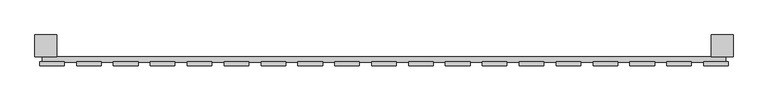
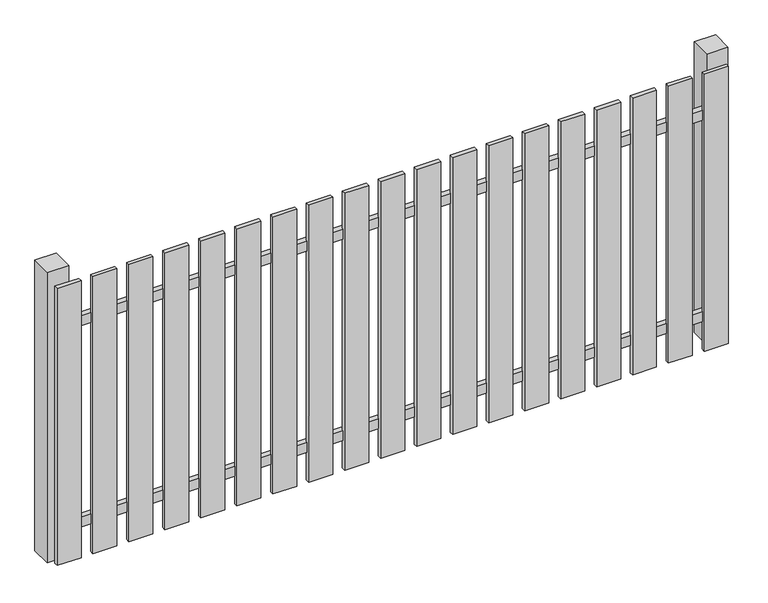
"""IFC4 building model written with IfcOpenShell, lengths in millimetres: railing geometry."""

import ifcopenshell
import ifcopenshell.guid

model = None  # the IFC model being written
_history = None  # IfcOwnerHistory: only IFC2X3 demands one
_inside = {}  # id of a spatial element -> (the spatial element, [elements in it])
_under = {}  # id of a project, library or spatial element -> (it, [spatial elements below it])
_declared = {}  # id of a project -> (the project, [libraries it declares])
_typed = {}  # id of a type object -> (the type object, [elements of that type])
_made_of = {}  # id of a material, layer set ... -> (it, [elements and type objects made of it])


def new_model(schema):
    """Start an empty IFC model of exactly this schema.

    Asked for "IFC4X3", IfcOpenShell would pick the latest addendum, in which some entities
    have other attributes; the version numbers below select the first issue.
    IFC2X3 requires an IfcOwnerHistory on every rooted entity: one is made here for all.
    """
    global model, _history
    if schema == "IFC4X3":
        model = ifcopenshell.file(schema_version=(4, 3, 0, 0))
    else:
        model = ifcopenshell.file(schema=schema)
    _inside.clear()
    _under.clear()
    _declared.clear()
    _typed.clear()
    _made_of.clear()
    _history = None
    if model.schema == "IFC2X3":
        org = make("IfcOrganization", Name="unknown")
        user = make(
            "IfcPersonAndOrganization",
            ThePerson=make("IfcPerson", FamilyName="unknown"),
            TheOrganization=org,
        )
        app = make(
            "IfcApplication",
            ApplicationDeveloper=org,
            Version="unknown",
            ApplicationFullName="unknown",
            ApplicationIdentifier="unknown",
        )
        _history = make(
            "IfcOwnerHistory",
            OwningUser=user,
            OwningApplication=app,
            ChangeAction="ADDED",
            CreationDate=0,
        )
    return model


def make(cls, **values):
    """One entity of the class cls with the attributes given. An attribute that is None is left unset."""
    return model.create_entity(
        cls, **{name: value for name, value in values.items() if value is not None}
    )


def rooted(cls, **values):
    """An entity with a GlobalId (a new one), such as an element, a storey or a relation."""
    return make(cls, GlobalId=ifcopenshell.guid.new(), OwnerHistory=_history, **values)


def si_unit(unit_type, name, prefix=None):
    """IfcSIUnit, for example si_unit("LENGTHUNIT", "METRE", prefix="MILLI")."""
    return make("IfcSIUnit", UnitType=unit_type, Prefix=prefix, Name=name)


def assignment(units):
    """IfcUnitAssignment: the units of a project."""
    return None if units is None else make("IfcUnitAssignment", Units=units)


def point(xyz):
    """IfcCartesianPoint."""
    return None if xyz is None else make("IfcCartesianPoint", Coordinates=xyz)


def direction(xyz):
    """IfcDirection."""
    return None if xyz is None else make("IfcDirection", DirectionRatios=xyz)


def frame(location, z_axis=None, x_axis=None):
    """IfcAxis2Placement3D, a coordinate frame: its origin and axes. An axis left out is left unset."""
    return make(
        "IfcAxis2Placement3D",
        Location=point(location),
        Axis=direction(z_axis),
        RefDirection=direction(x_axis),
    )


def origin():
    """The frame at (0, 0, 0) with its axes left unset."""
    return frame((0.0, 0.0, 0.0))


def origin_with_axes():
    """The frame at (0, 0, 0) with the z axis (0, 0, 1) and the x axis (1, 0, 0) written out."""
    return frame((0.0, 0.0, 0.0), z_axis=(0.0, 0.0, 1.0), x_axis=(1.0, 0.0, 0.0))


def place(relative_to, where):
    """IfcLocalPlacement: puts the frame where relative to a parent placement (None: the world)."""
    return make(
        "IfcLocalPlacement", PlacementRelTo=relative_to, RelativePlacement=where
    )


def context(
    kind, dimensions, precision=None, world=None, true_north=None, identifier=None
):
    """IfcGeometricRepresentationContext, for example the 3D "Model" context."""
    return make(
        "IfcGeometricRepresentationContext",
        ContextIdentifier=identifier,
        ContextType=kind,
        CoordinateSpaceDimension=dimensions,
        Precision=precision,
        WorldCoordinateSystem=world,
        TrueNorth=true_north,
    )


def project(units=None, contexts=None):
    """IfcProject with its units and contexts."""
    return rooted(
        "IfcProject",
        Name="project",
        RepresentationContexts=contexts,
        UnitsInContext=assignment(units),
    )


def spatial(cls, under=None, at=None, **own):
    """A site, building, storey or space (cls), placed at a placement, below another one or the project."""
    s = rooted(cls, ObjectPlacement=at, **own)
    if under is not None:
        _under.setdefault(under.id(), (under, []))[1].append(s)
    return s


def polyline(points):
    """IfcPolyline through the points."""
    return make("IfcPolyline", Points=[point(p) for p in points])


def outline(outer, holes=None, kind="AREA"):
    """IfcArbitraryClosedProfileDef: a profile drawn as a closed curve; with holes, ...WithVoids."""
    if holes is None:
        return make("IfcArbitraryClosedProfileDef", ProfileType=kind, OuterCurve=outer)
    return make(
        "IfcArbitraryProfileDefWithVoids",
        ProfileType=kind,
        OuterCurve=outer,
        InnerCurves=holes,
    )


def extrude(swept, where, along, depth):
    """IfcExtrudedAreaSolid: the profile swept, set in the frame where, extruded along a direction by depth."""
    return make(
        "IfcExtrudedAreaSolid",
        SweptArea=swept,
        Position=where,
        ExtrudedDirection=direction(along),
        Depth=depth,
    )


def shape(context_of_items, identifier, shape_type, items):
    """IfcShapeRepresentation: the items that make up one representation, for example the "Body"."""
    return make(
        "IfcShapeRepresentation",
        ContextOfItems=context_of_items,
        RepresentationIdentifier=identifier,
        RepresentationType=shape_type,
        Items=items,
    )


def source(mapping_origin, context_of_items, identifier, shape_type, items):
    """IfcRepresentationMap: a shape defined once, which mapped items show again and again."""
    return make(
        "IfcRepresentationMap",
        MappingOrigin=mapping_origin,
        MappedRepresentation=shape(context_of_items, identifier, shape_type, items),
    )


def transform(
    local_origin,
    x_axis=None,
    y_axis=None,
    z_axis=None,
    scale=None,
    scale2=None,
    scale3=None,
    uniform=True,
):
    """IfcCartesianTransformationOperator3D, or its non-uniform kind. x_axis, y_axis, z_axis: its Axis1, 2, 3."""
    if uniform:
        return make(
            "IfcCartesianTransformationOperator3D",
            Axis1=direction(x_axis),
            Axis2=direction(y_axis),
            LocalOrigin=point(local_origin),
            Scale=scale,
            Axis3=direction(z_axis),
        )
    return make(
        "IfcCartesianTransformationOperator3DnonUniform",
        Axis1=direction(x_axis),
        Axis2=direction(y_axis),
        LocalOrigin=point(local_origin),
        Scale=scale,
        Axis3=direction(z_axis),
        Scale2=scale2,
        Scale3=scale3,
    )


def mapped(mapping_source, mapping_target):
    """IfcMappedItem: shows the shape of a source again, moved by a transform."""
    return make(
        "IfcMappedItem", MappingSource=mapping_source, MappingTarget=mapping_target
    )


def made_of(thing, what):
    """Note that an element or type object is made of a material, layer set ...; save() writes the relation."""
    if what is not None:
        _made_of.setdefault(what.id(), (what, []))[1].append(thing)
    return thing


def element(
    cls,
    number,
    at=None,
    inside=None,
    cuts=None,
    type_object=None,
    material=None,
    context=None,
    identifier="Body",
    shape_type=None,
    held_by="IfcProductDefinitionShape",
    body=None,
    shapes=None,
    **own,
):
    """One element of the class cls, such as IfcWall. Its Tag is "e" and its number.

    at: its placement. inside: the storey or other place that contains it. cuts: it is an
    opening in that element (IfcRelVoidsElement). A single representation is given by context,
    identifier, shape_type and body (its items); several are given by shapes. held_by: the class
    of the entity that holds the representations. save() writes the other relations.
    """
    e = rooted(cls, Tag="e%d" % number, ObjectPlacement=at, **own)
    if body is not None:
        shapes = [shape(context, identifier, shape_type, body)]
    if shapes is not None:
        e.Representation = make(held_by, Representations=shapes)
    if inside is not None:
        _inside.setdefault(inside.id(), (inside, []))[1].append(e)
    if cuts is not None:
        rooted(
            "IfcRelVoidsElement", RelatingBuildingElement=cuts, RelatedOpeningElement=e
        )
    if type_object is not None:
        _typed.setdefault(type_object.id(), (type_object, []))[1].append(e)
    return made_of(e, material)


def aggregate(whole, parts):
    """IfcRelAggregates: a whole, such as a stair, and the parts it consists of."""
    return rooted("IfcRelAggregates", RelatingObject=whole, RelatedObjects=parts)


def save(model, path):
    """Write the relations noted so far, then the file.

    IfcRelAggregates (storeys below a building ...), IfcRelContainedInSpatialStructure (elements
    in a storey), IfcRelDefinesByType, IfcRelAssociatesMaterial and IfcRelDeclares: one each for
    every whole, place, type object, material and project.
    """
    for whole, parts in _under.values():
        aggregate(whole, parts)
    for where, things in _inside.values():
        rooted(
            "IfcRelContainedInSpatialStructure",
            RelatedElements=things,
            RelatingStructure=where,
        )
    for kind, things in _typed.values():
        rooted("IfcRelDefinesByType", RelatedObjects=things, RelatingType=kind)
    for what, things in _made_of.values():
        rooted("IfcRelAssociatesMaterial", RelatedObjects=things, RelatingMaterial=what)
    for by, libraries in _declared.values():
        rooted("IfcRelDeclares", RelatingContext=by, RelatedDefinitions=libraries)
    model.write(path)


def railing_df716a90(model_context):
    return source(origin(), model_context, "Body", "SweptSolid", [
        extrude(outline(polyline([(1287.4299228, -99439.0267127), (1287.4299228, -99419.0267127), (3787.4299228, -99419.0267127), (3787.4299228, -99439.0267127), (1287.4299228, -99439.0267127)])), frame((0.0, 0.0, 110.0), z_axis=(0.0, 0.0, 1.0), x_axis=(1.0, 0.0, 0.0)), (0.0, 0.0, 1.0), 40.0),
        extrude(outline(polyline([(1287.4299228, -99439.0267127), (1287.4299228, -99419.0267127), (3787.4299228, -99419.0267127), (3787.4299228, -99439.0267127), (1287.4299228, -99439.0267127)])), frame((0.0, 0.0, 910.0), z_axis=(0.0, 0.0, 1.0), x_axis=(1.0, 0.0, 0.0)), (0.0, 0.0, 1.0), 40.0),
        extrude(outline(polyline([(3707.4299228, -99452.5267127), (3707.4299228, -99437.5267127), (3797.4299228, -99437.5267127), (3797.4299228, -99452.5267127), (3707.4299228, -99452.5267127)])), origin_with_axes(), (0.0, 0.0, 1.0), 1100.0),
        extrude(outline(polyline([(3572.4299228, -99452.5267127), (3572.4299228, -99437.5267127), (3662.4299228, -99437.5267127), (3662.4299228, -99452.5267127), (3572.4299228, -99452.5267127)])), origin_with_axes(), (0.0, 0.0, 1.0), 1100.0),
        extrude(outline(polyline([(3437.4299228, -99452.5267127), (3437.4299228, -99437.5267127), (3527.4299228, -99437.5267127), (3527.4299228, -99452.5267127), (3437.4299228, -99452.5267127)])), origin_with_axes(), (0.0, 0.0, 1.0), 1100.0),
        extrude(outline(polyline([(3302.4299228, -99452.5267127), (3302.4299228, -99437.5267127), (3392.4299228, -99437.5267127), (3392.4299228, -99452.5267127), (3302.4299228, -99452.5267127)])), origin_with_axes(), (0.0, 0.0, 1.0), 1100.0),
        extrude(outline(polyline([(3167.4299228, -99452.5267127), (3167.4299228, -99437.5267127), (3257.4299228, -99437.5267127), (3257.4299228, -99452.5267127), (3167.4299228, -99452.5267127)])), origin_with_axes(), (0.0, 0.0, 1.0), 1100.0),
        extrude(outline(polyline([(3032.4299228, -99452.5267127), (3032.4299228, -99437.5267127), (3122.4299228, -99437.5267127), (3122.4299228, -99452.5267127), (3032.4299228, -99452.5267127)])), origin_with_axes(), (0.0, 0.0, 1.0), 1100.0),
        extrude(outline(polyline([(2897.4299228, -99452.5267127), (2897.4299228, -99437.5267127), (2987.4299228, -99437.5267127), (2987.4299228, -99452.5267127), (2897.4299228, -99452.5267127)])), origin_with_axes(), (0.0, 0.0, 1.0), 1100.0),
        extrude(outline(polyline([(2762.4299228, -99452.5267127), (2762.4299228, -99437.5267127), (2852.4299228, -99437.5267127), (2852.4299228, -99452.5267127), (2762.4299228, -99452.5267127)])), origin_with_axes(), (0.0, 0.0, 1.0), 1100.0),
        extrude(outline(polyline([(2627.4299228, -99452.5267127), (2627.4299228, -99437.5267127), (2717.4299228, -99437.5267127), (2717.4299228, -99452.5267127), (2627.4299228, -99452.5267127)])), origin_with_axes(), (0.0, 0.0, 1.0), 1100.0),
        extrude(outline(polyline([(2492.4299228, -99452.5267127), (2492.4299228, -99437.5267127), (2582.4299228, -99437.5267127), (2582.4299228, -99452.5267127), (2492.4299228, -99452.5267127)])), origin_with_axes(), (0.0, 0.0, 1.0), 1100.0),
        extrude(outline(polyline([(2357.4299228, -99452.5267127), (2357.4299228, -99437.5267127), (2447.4299228, -99437.5267127), (2447.4299228, -99452.5267127), (2357.4299228, -99452.5267127)])), origin_with_axes(), (0.0, 0.0, 1.0), 1100.0),
        extrude(outline(polyline([(2222.4299228, -99452.5267127), (2222.4299228, -99437.5267127), (2312.4299228, -99437.5267127), (2312.4299228, -99452.5267127), (2222.4299228, -99452.5267127)])), origin_with_axes(), (0.0, 0.0, 1.0), 1100.0),
        extrude(outline(polyline([(2087.4299228, -99452.5267127), (2087.4299228, -99437.5267127), (2177.4299228, -99437.5267127), (2177.4299228, -99452.5267127), (2087.4299228, -99452.5267127)])), origin_with_axes(), (0.0, 0.0, 1.0), 1100.0),
        extrude(outline(polyline([(1952.4299228, -99452.5267127), (1952.4299228, -99437.5267127), (2042.4299228, -99437.5267127), (2042.4299228, -99452.5267127), (1952.4299228, -99452.5267127)])), origin_with_axes(), (0.0, 0.0, 1.0), 1100.0),
        extrude(outline(polyline([(1817.4299228, -99452.5267127), (1817.4299228, -99437.5267127), (1907.4299228, -99437.5267127), (1907.4299228, -99452.5267127), (1817.4299228, -99452.5267127)])), origin_with_axes(), (0.0, 0.0, 1.0), 1100.0),
        extrude(outline(polyline([(1682.4299228, -99452.5267127), (1682.4299228, -99437.5267127), (1772.4299228, -99437.5267127), (1772.4299228, -99452.5267127), (1682.4299228, -99452.5267127)])), origin_with_axes(), (0.0, 0.0, 1.0), 1100.0),
        extrude(outline(polyline([(1547.4299228, -99452.5267127), (1547.4299228, -99437.5267127), (1637.4299228, -99437.5267127), (1637.4299228, -99452.5267127), (1547.4299228, -99452.5267127)])), origin_with_axes(), (0.0, 0.0, 1.0), 1100.0),
        extrude(outline(polyline([(1412.4299228, -99452.5267127), (1412.4299228, -99437.5267127), (1502.4299228, -99437.5267127), (1502.4299228, -99452.5267127), (1412.4299228, -99452.5267127)])), origin_with_axes(), (0.0, 0.0, 1.0), 1100.0),
        extrude(outline(polyline([(1277.4299228, -99452.5267127), (1277.4299228, -99437.5267127), (1367.4299228, -99437.5267127), (1367.4299228, -99452.5267127), (1277.4299228, -99452.5267127)])), origin_with_axes(), (0.0, 0.0, 1.0), 1100.0),
        extrude(outline(polyline([(3734.9299228, -99339.0267127), (3814.9299228, -99339.0267127), (3814.9299228, -99419.0267127), (3734.9299228, -99419.0267127), (3734.9299228, -99339.0267127)])), frame((0.0, 0.0, -4.0), z_axis=(0.0, 0.0, 1.0), x_axis=(1.0, 0.0, 0.0)), (0.0, 0.0, 1.0), 1154.0),
        extrude(outline(polyline([(1259.9299228, -99339.0267127), (1339.9299228, -99339.0267127), (1339.9299228, -99419.0267127), (1259.9299228, -99419.0267127), (1259.9299228, -99339.0267127)])), frame((0.0, 0.0, -4.0), z_axis=(0.0, 0.0, 1.0), x_axis=(1.0, 0.0, 0.0)), (0.0, 0.0, 1.0), 1154.0),
    ])


if __name__ == "__main__":
    model = new_model("IFC4")
    model_context = context("Model", 3, world=origin())
    ifc_project = project(units=[si_unit("LENGTHUNIT", "METRE", prefix="MILLI")], contexts=[model_context])
    site = spatial("IfcSite", under=ifc_project)
    building = spatial("IfcBuilding", under=site)
    placement = place(None, origin())
    railing_shape = railing_df716a90(model_context)
    element("IfcRailing", 1, at=placement, inside=building, context=model_context, shape_type="MappedRepresentation", body=[
        mapped(railing_shape, transform((0.0, 0.0, 0.0), x_axis=(1.0, 0.0, 0.0), y_axis=(0.0, 1.0, 0.0), z_axis=(0.0, 0.0, 1.0))),
    ])
    save(model, "model.ifc")
